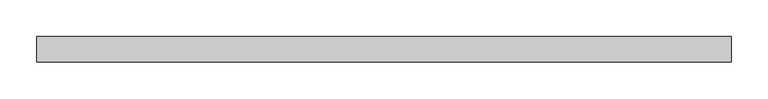
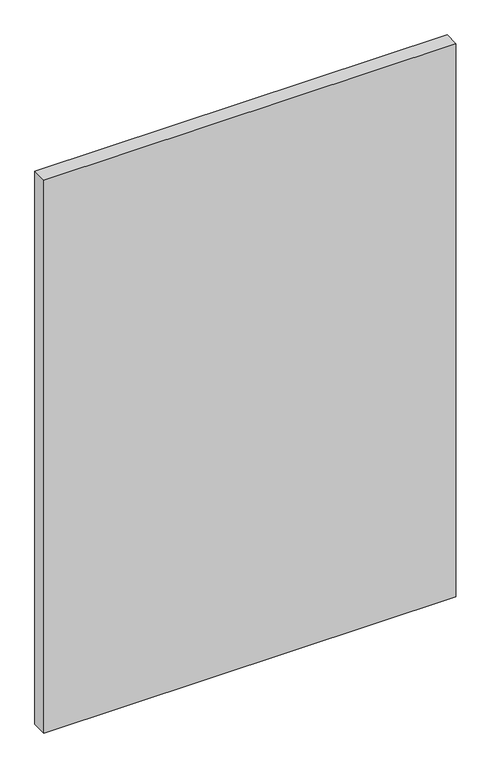
"""IFC4 building model written with IfcOpenShell, lengths in millimetres: plate geometry."""

from ifc_helpers import new_model, si_unit, origin, origin_with_axes, place, context, project, spatial, polyline, outline, extrude, source, transform, mapped, element, save


def plate_f1460ab3(model_context):
    return source(origin(), model_context, "Body", "SweptSolid", [
        extrude(outline(polyline([(473.8125, -17.5), (-473.8125, -17.5), (-473.8125, 17.5), (473.8125, 17.5), (473.8125, -17.5)])), origin_with_axes(), (0.0, 0.0, 1.0), 1343.8125),
    ])


if __name__ == "__main__":
    model = new_model("IFC4")
    model_context = context("Model", 3, world=origin())
    ifc_project = project(units=[si_unit("LENGTHUNIT", "METRE", prefix="MILLI")], contexts=[model_context])
    site = spatial("IfcSite", under=ifc_project)
    building = spatial("IfcBuilding", under=site)
    placement = place(None, origin())
    plate_shape = plate_f1460ab3(model_context)
    element("IfcPlate", 1, at=placement, inside=building, context=model_context, shape_type="MappedRepresentation", body=[
        mapped(plate_shape, transform((0.0, 0.0, 0.0), x_axis=(1.0, 0.0, 0.0), y_axis=(0.0, 1.0, 0.0), z_axis=(0.0, 0.0, 1.0))),
    ])
    save(model, "model.ifc")
